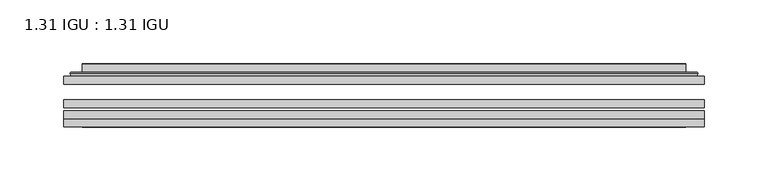
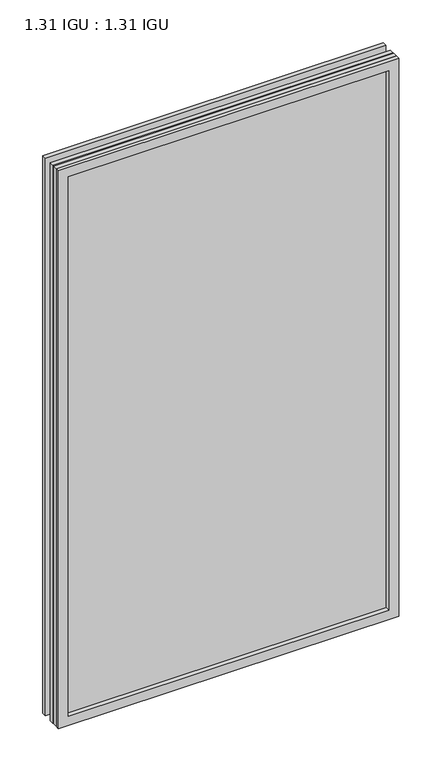
"""IFC4 building model written with IfcOpenShell, lengths in millimetres: plate geometry, 1.31 IGU : 1.31 IGU."""

from ifc_helpers import new_model, si_unit, frame, origin, place, context, project, spatial, polyline, ellipse_curve, outline, extrude, faceted_brep, source, transform, mapped, element, save
from ifc_brep_helpers import plane_surface, cylinder_surface, advanced_brep


def plate_1_31_igu_1_31_igu_e71fe425(model_context):
    return source(origin(), model_context, "Body", "SolidModel", [
        extrude(outline(polyline([(250.839175, -63.59525), (250.839175, -69.94525), (-250.825, -69.94525), (-250.825, -63.59525), (250.839175, -63.59525)])), frame((0.0, 0.0, -14.2875), z_axis=(0.0, 0.0, 1.0), x_axis=(1.0, 0.0, 0.0)), (0.0, 0.0, 1.0), 869.9537979),
        extrude(outline(polyline([(-250.825, -78.58125), (-250.825, -72.230745), (250.839175, -72.230745), (250.839175, -78.58125), (-250.825, -78.58125)])), frame((0.0, 0.0, -14.2875), z_axis=(0.0, 0.0, 1.0), x_axis=(1.0, 0.0, 0.0)), (0.0, 0.0, 1.0), 869.9537979),
        extrude(outline(polyline([(250.839175, -45.25645), (250.839175, -51.60645), (-250.825, -51.60645), (-250.825, -45.25645), (250.839175, -45.25645)])), frame((0.0, 0.0, -14.2875), z_axis=(0.0, 0.0, 1.0), x_axis=(1.0, 0.0, 0.0)), (0.0, 0.0, 1.0), 869.9537979),
        faceted_brep([(-250.8377, -84.93125, 855.6752), (-250.8377, -78.58125, 855.6752), (-250.8377, -78.58125, -14.3002), (-250.8377, -84.93125, -14.3002), (250.8377, -78.58125, -14.3002), (250.8377, -84.93125, -14.3002), (250.8377, -78.58125, 855.6752), (250.8377, -84.93125, 855.6752), (-235.6397559, -78.58125, 0.8977441), (235.6397559, -78.58125, 0.8977441), (235.6397559, -78.58125, 840.4772559), (-235.6397559, -78.58125, 840.4772559), (-236.5321902, -84.93125, 841.3696902), (236.5321902, -84.93125, 841.3696902), (236.5321902, -84.93125, 0.0053098), (-236.5321902, -84.93125, 0.0053098)], [[[0, 1, 2, 3]], [[3, 2, 4, 5]], [[5, 4, 6, 7]], [[1, 6, 4, 2], [8, 9, 10, 11]], [[7, 6, 1, 0]], [[3, 5, 7, 0], [12, 13, 14, 15]], [[11, 12, 15, 8]], [[8, 15, 14, 9]], [[9, 14, 13, 10]], [[10, 13, 12, 11]]]),
        advanced_brep(
        [(-243.5837191, -45.25645, 848.4212191), (-245.9379244, -43.2667833, 850.7754244), (-245.9379244, -43.2667833, -9.4004244), (-243.5837191, -45.25645, -7.046219), (-234.5093939, -41.416413, 839.3468939), (-229.5745621, -45.25645, 834.4120621), (-229.5745621, -45.25645, 6.9629379), (-234.5093939, -41.416413, 2.0281061), (-235.5414217, -36.0191819, 840.3789217), (-235.5414217, -36.0191819, 0.9960783), (-236.5320784, -35.6202069, 841.3695784), (-236.5320784, -35.6202069, 0.0054216), (-236.5320784, -42.08145, 841.3695784), (-236.5320784, -42.08145, 0.0054216), (-244.9361349, -42.08145, 849.7736349), (-244.9361349, -42.08145, -8.3986349), (245.9379244, -43.2667833, -9.4004244), (243.5837191, -45.25645, -7.046219), (229.5745621, -45.25645, 6.9629379), (234.5093939, -41.416413, 2.0281061), (235.5414217, -36.0191819, 0.9960783), (236.5320784, -35.6202069, 0.0054216), (236.5320784, -42.08145, 0.0054216), (244.9361349, -42.08145, -8.3986349), (245.9379244, -43.2667833, 850.7754244), (243.5837191, -45.25645, 848.4212191), (229.5745621, -45.25645, 834.4120621), (234.5093939, -41.416413, 839.3468939), (235.5414217, -36.0191819, 840.3789217), (236.5320784, -35.6202069, 841.3695784), (236.5320784, -42.08145, 841.3695784), (244.9361349, -42.08145, 849.7736349)],
        [
            (0, 1, ellipse_curve(frame((-243.5837191, -42.86885, 848.4212191), z_axis=(-0.7071067811865475, 0.0, -0.7071067811865475), x_axis=(-0.7071067811865474, 0.0, 0.7071067811865476)), 3.3765763, 2.3876)),
            (1, 2),
            (2, 3, ellipse_curve(frame((-243.5837191, -42.86885, -7.046219), z_axis=(-0.7071067811865475, 0.0, 0.7071067811865475), x_axis=(0.7071067811865474, 0.0, 0.7071067811865476)), 3.3765763, 2.3876)),
            (3, 0),
            (4, 5),
            (5, 6),
            (6, 7),
            (7, 4),
            (8, 4),
            (7, 9),
            (9, 8),
            (10, 8, ellipse_curve(frame((-236.1651219, -36.1384423, 841.0026219), z_axis=(-0.7071067811865475, 0.0, -0.7071067811865475), x_axis=(-0.7071067811865474, 0.0, 0.7071067811865476)), 0.8980256, 0.635)),
            (9, 11, ellipse_curve(frame((-236.1651219, -36.1384423, 0.3723781), z_axis=(-0.7071067811865475, 0.0, 0.7071067811865475), x_axis=(0.7071067811865474, 0.0, 0.7071067811865476)), 0.8980256, 0.635)),
            (11, 10),
            (12, 10),
            (11, 13),
            (13, 12),
            (1, 14, ellipse_curve(frame((-244.9361349, -43.09745, 849.7736349), z_axis=(-0.7071067811865475, 0.0, -0.7071067811865475), x_axis=(-0.7071067811865474, 0.0, 0.7071067811865476)), 1.436841, 1.016)),
            (14, 15),
            (15, 2, ellipse_curve(frame((-244.9361349, -43.09745, -8.3986349), z_axis=(-0.7071067811865475, 0.0, 0.7071067811865475), x_axis=(0.7071067811865474, 0.0, 0.7071067811865476)), 1.436841, 1.016)),
            (2, 16),
            (16, 17, ellipse_curve(frame((243.5837191, -42.86885, -7.046219), z_axis=(-0.7071067811865475, 0.0, -0.7071067811865475), x_axis=(-0.7071067811865476, 0.0, 0.7071067811865474)), 3.3765763, 2.3876)),
            (17, 3),
            (6, 18),
            (18, 19),
            (19, 7),
            (19, 20),
            (20, 9),
            (20, 21, ellipse_curve(frame((236.1651219, -36.1384423, 0.3723781), z_axis=(-0.7071067811865475, 0.0, -0.7071067811865475), x_axis=(-0.7071067811865476, 0.0, 0.7071067811865474)), 0.8980256, 0.635)),
            (21, 11),
            (21, 22),
            (22, 13),
            (15, 23),
            (23, 16, ellipse_curve(frame((244.9361349, -43.09745, -8.3986349), z_axis=(-0.7071067811865475, 0.0, -0.7071067811865475), x_axis=(-0.7071067811865476, 0.0, 0.7071067811865474)), 1.436841, 1.016)),
            (16, 24),
            (24, 25, ellipse_curve(frame((243.5837191, -42.86885, 848.4212191), z_axis=(0.7071067811865475, 0.0, -0.7071067811865475), x_axis=(-0.7071067811865474, 0.0, -0.7071067811865476)), 3.3765763, 2.3876)),
            (25, 17),
            (18, 26),
            (26, 27),
            (27, 19),
            (27, 28),
            (28, 20),
            (28, 29, ellipse_curve(frame((236.1651219, -36.1384423, 841.0026219), z_axis=(0.7071067811865475, 0.0, -0.7071067811865475), x_axis=(-0.7071067811865474, 0.0, -0.7071067811865476)), 0.8980256, 0.635)),
            (29, 21),
            (29, 30),
            (30, 22),
            (23, 31),
            (31, 24, ellipse_curve(frame((244.9361349, -43.09745, 849.7736349), z_axis=(0.7071067811865475, 0.0, -0.7071067811865475), x_axis=(-0.7071067811865474, 0.0, -0.7071067811865476)), 1.436841, 1.016)),
            (24, 1),
            (0, 25),
            (5, 26),
            (4, 27),
            (8, 28),
            (10, 29),
            (12, 30),
            (14, 31),
        ],
        [
            cylinder_surface(frame((-243.5837191, -42.86885, 873.125), z_axis=(0.0, 0.0, 1.0), x_axis=(-1.0, 0.0, 0.0)), 2.3876),
            plane_surface(frame((-229.5745621, -45.25645, 834.4120621), z_axis=(0.6141233906514794, 0.7892100234124821, 0.0), x_axis=(0.0, 0.0, -1.0))),
            plane_surface(frame((-234.5093939, -41.416413, 839.3468939), z_axis=(0.9822050625507729, 0.18781164793386076, 0.0), x_axis=(0.0, 0.0, -1.0))),
            cylinder_surface(frame((-236.1651219, -36.1384423, 873.125), z_axis=(0.0, 0.0, 1.0), x_axis=(-1.0, 0.0, 0.0)), 0.635),
            plane_surface(frame((-236.5320784, -35.6202069, 841.3695784), z_axis=(-1.0, 0.0, 0.0), x_axis=(0.0, 0.0, -1.0))),
            cylinder_surface(frame((-244.9361349, -43.09745, 873.125), z_axis=(0.0, 0.0, 1.0), x_axis=(-1.0, 0.0, 0.0)), 1.016),
            cylinder_surface(frame((-268.2875, -42.86885, -7.046219), z_axis=(-1.0, 0.0, 0.0), x_axis=(0.0, 0.0, -1.0)), 2.3876),
            plane_surface(frame((-229.5745621, -45.25645, 6.9629379), z_axis=(0.0, 0.7892100234124841, 0.6141233906514768), x_axis=(1.0, 0.0, 0.0))),
            plane_surface(frame((-234.5093939, -41.416413, 2.0281061), z_axis=(0.0, 0.18781164793386393, 0.9822050625507723), x_axis=(1.0, 0.0, 0.0))),
            cylinder_surface(frame((-268.2875, -36.1384423, 0.3723781), z_axis=(-1.0, 0.0, 0.0), x_axis=(0.0, 0.0, -1.0)), 0.635),
            plane_surface(frame((-236.5320784, -35.6202069, 0.0054216), z_axis=(0.0, 0.0, -1.0), x_axis=(1.0, 0.0, 0.0))),
            cylinder_surface(frame((-268.2875, -43.09745, -8.3986349), z_axis=(-1.0, 0.0, 0.0), x_axis=(0.0, 0.0, -1.0)), 1.016),
            cylinder_surface(frame((243.5837191, -42.86885, -31.75), z_axis=(0.0, 0.0, -1.0), x_axis=(1.0, 0.0, 0.0)), 2.3876),
            plane_surface(frame((229.5745621, -45.25645, 6.9629379), z_axis=(-0.6141233906514743, 0.7892100234124861, 0.0), x_axis=(0.0, 0.0, 1.0))),
            plane_surface(frame((234.5093939, -41.416413, 2.0281061), z_axis=(-0.9822050625507718, 0.1878116479338671, 0.0), x_axis=(0.0, 0.0, 1.0))),
            cylinder_surface(frame((236.1651219, -36.1384423, -31.75), z_axis=(0.0, 0.0, -1.0), x_axis=(1.0, 0.0, 0.0)), 0.635),
            plane_surface(frame((236.5320784, -35.6202069, 0.0054216), z_axis=(1.0, 0.0, 0.0), x_axis=(0.0, 0.0, 1.0))),
            cylinder_surface(frame((244.9361349, -43.09745, -31.75), z_axis=(0.0, 0.0, -1.0), x_axis=(1.0, 0.0, 0.0)), 1.016),
            cylinder_surface(frame((268.2875, -42.86885, 848.4212191), z_axis=(1.0, 0.0, 0.0), x_axis=(0.0, 0.0, 1.0)), 2.3876),
            plane_surface(frame((243.5837191, -45.25645, 848.4212191), z_axis=(0.0, -1.0, 0.0), x_axis=(-1.0, 0.0, 0.0))),
            plane_surface(frame((229.5745621, -45.25645, 834.4120621), z_axis=(0.0, 0.7892100234124841, -0.6141233906514768), x_axis=(-1.0, 0.0, 0.0))),
            plane_surface(frame((234.5093939, -41.416413, 839.3468939), z_axis=(0.0, 0.18781164793386393, -0.9822050625507723), x_axis=(-1.0, 0.0, 0.0))),
            cylinder_surface(frame((268.2875, -36.1384423, 841.0026219), z_axis=(1.0, 0.0, 0.0), x_axis=(0.0, 0.0, 1.0)), 0.635),
            plane_surface(frame((236.5320784, -35.6202069, 841.3695784), z_axis=(0.0, 0.0, 1.0), x_axis=(-1.0, 0.0, 0.0))),
            plane_surface(frame((236.5320784, -42.08145, 841.3695784), z_axis=(0.0, 1.0, 0.0), x_axis=(-1.0, 0.0, 0.0))),
            cylinder_surface(frame((268.2875, -43.09745, 849.7736349), z_axis=(1.0, 0.0, 0.0), x_axis=(0.0, 0.0, 1.0)), 1.016),
        ],
        [
            (0, [[1, 2, 3, 4]]),
            (1, [[5, 6, 7, 8]]),
            (2, [[9, -8, 10, 11]]),
            (3, [[12, -11, 13, 14]]),
            (4, [[15, -14, 16, 17]]),
            (5, [[18, 19, 20, -2]]),
            (6, [[-3, 21, 22, 23]]),
            (7, [[-7, 24, 25, 26]]),
            (8, [[-10, -26, 27, 28]]),
            (9, [[-13, -28, 29, 30]]),
            (10, [[-16, -30, 31, 32]]),
            (11, [[-20, 33, 34, -21]]),
            (12, [[-22, 35, 36, 37]]),
            (13, [[-25, 38, 39, 40]]),
            (14, [[-27, -40, 41, 42]]),
            (15, [[-29, -42, 43, 44]]),
            (16, [[-31, -44, 45, 46]]),
            (17, [[-34, 47, 48, -35]]),
            (18, [[-36, 49, -1, 50]]),
            (19, [[-23, -37, -50, -4], [51, -38, -24, -6]]),
            (20, [[-39, -51, -5, 52]]),
            (21, [[-41, -52, -9, 53]]),
            (22, [[-43, -53, -12, 54]]),
            (23, [[-45, -54, -15, 55]]),
            (24, [[56, -47, -33, -19], [-32, -46, -55, -17]]),
            (25, [[-48, -56, -18, -49]]),
        ],
    ),
    ])


if __name__ == "__main__":
    model = new_model("IFC4")
    model_context = context("Model", 3, world=origin())
    ifc_project = project(units=[si_unit("LENGTHUNIT", "METRE", prefix="MILLI")], contexts=[model_context])
    site = spatial("IfcSite", under=ifc_project)
    building = spatial("IfcBuilding", under=site)
    placement = place(None, origin())
    plate_1_31_igu_1_31_igu_shape = plate_1_31_igu_1_31_igu_e71fe425(model_context)
    element("IfcPlate", 1, ObjectType="1.31 IGU : 1.31 IGU", at=placement, inside=building, context=model_context, shape_type="MappedRepresentation", body=[
        mapped(plate_1_31_igu_1_31_igu_shape, transform((0.0, 0.0, 0.0), x_axis=(1.0, 0.0, 0.0), y_axis=(0.0, 1.0, 0.0), z_axis=(0.0, 0.0, 1.0))),
    ])
    save(model, "model.ifc")
